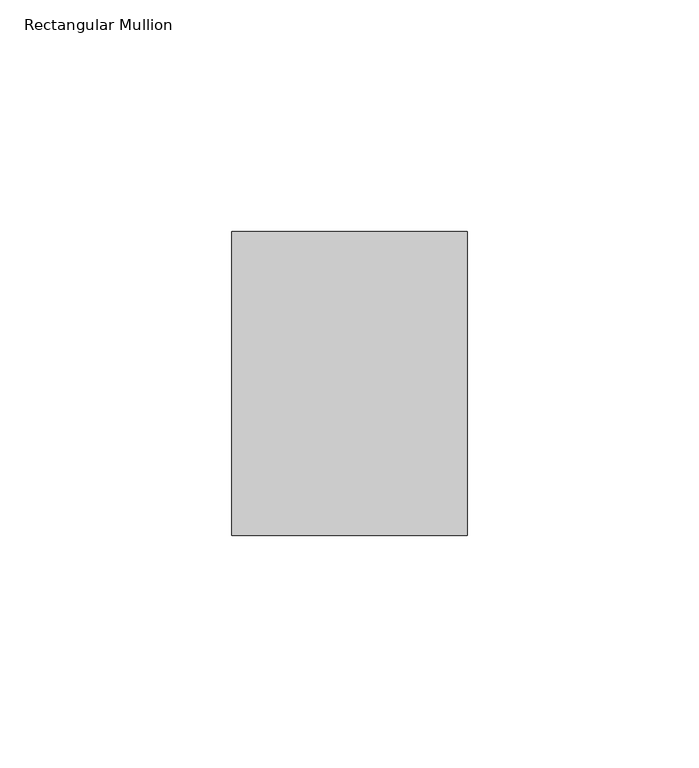
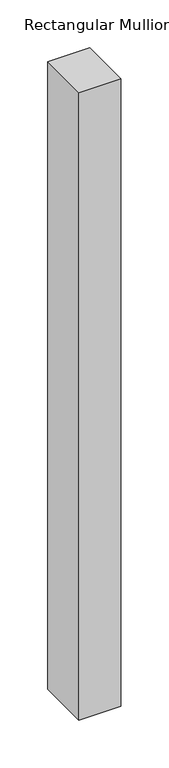
"""IFC4 building model written with IfcOpenShell, lengths in millimetres: member geometry, Rectangular Mullion."""

from ifc_helpers import new_model, si_unit, frame, origin, place, context, project, spatial, polyline, outline, extrude, source, transform, mapped, element, save


def rectangular_mullion_44659865(model_context):
    return source(origin(), model_context, "Body", "SweptSolid", [
        extrude(outline(polyline([(-25.4, 114.252375), (25.4, 114.252375), (25.4, 48.656875), (-25.4, 48.656875), (-25.4, 114.252375)])), frame((0.0, 0.0, -803.275), z_axis=(0.0, 0.0, 1.0), x_axis=(1.0, 0.0, 0.0)), (0.0, 0.0, 1.0), 803.275),
    ])


if __name__ == "__main__":
    model = new_model("IFC4")
    model_context = context("Model", 3, world=origin())
    ifc_project = project(units=[si_unit("LENGTHUNIT", "METRE", prefix="MILLI")], contexts=[model_context])
    site = spatial("IfcSite", under=ifc_project)
    building = spatial("IfcBuilding", under=site)
    placement = place(None, origin())
    rectangular_mullion_shape = rectangular_mullion_44659865(model_context)
    element("IfcMember", 1, ObjectType="Rectangular Mullion", at=placement, inside=building, context=model_context, shape_type="MappedRepresentation", body=[
        mapped(rectangular_mullion_shape, transform((0.0, 0.0, 0.0), x_axis=(1.0, 0.0, 0.0), y_axis=(0.0, 1.0, 0.0), z_axis=(0.0, 0.0, 1.0))),
    ])
    save(model, "model.ifc")
